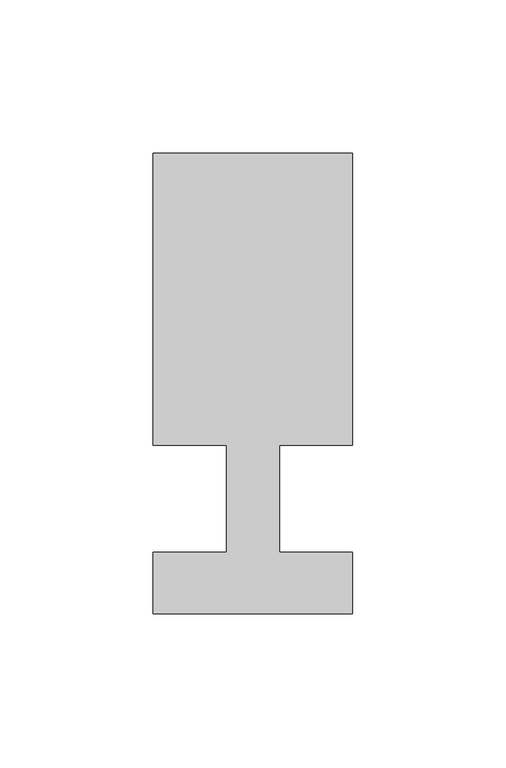
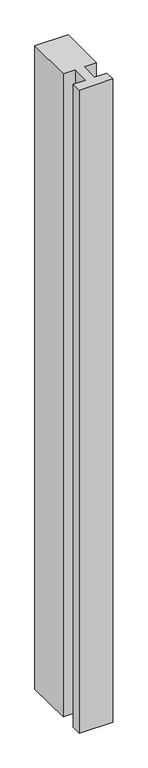
"""IFC4 building model written with IfcOpenShell, lengths in millimetres: member geometry."""

import ifcopenshell
import ifcopenshell.guid

model = None  # the IFC model being written
_history = None  # IfcOwnerHistory: only IFC2X3 demands one
_inside = {}  # id of a spatial element -> (the spatial element, [elements in it])
_under = {}  # id of a project, library or spatial element -> (it, [spatial elements below it])
_declared = {}  # id of a project -> (the project, [libraries it declares])
_typed = {}  # id of a type object -> (the type object, [elements of that type])
_made_of = {}  # id of a material, layer set ... -> (it, [elements and type objects made of it])


def new_model(schema):
    """Start an empty IFC model of exactly this schema.

    Asked for "IFC4X3", IfcOpenShell would pick the latest addendum, in which some entities
    have other attributes; the version numbers below select the first issue.
    IFC2X3 requires an IfcOwnerHistory on every rooted entity: one is made here for all.
    """
    global model, _history
    if schema == "IFC4X3":
        model = ifcopenshell.file(schema_version=(4, 3, 0, 0))
    else:
        model = ifcopenshell.file(schema=schema)
    _inside.clear()
    _under.clear()
    _declared.clear()
    _typed.clear()
    _made_of.clear()
    _history = None
    if model.schema == "IFC2X3":
        org = make("IfcOrganization", Name="unknown")
        user = make(
            "IfcPersonAndOrganization",
            ThePerson=make("IfcPerson", FamilyName="unknown"),
            TheOrganization=org,
        )
        app = make(
            "IfcApplication",
            ApplicationDeveloper=org,
            Version="unknown",
            ApplicationFullName="unknown",
            ApplicationIdentifier="unknown",
        )
        _history = make(
            "IfcOwnerHistory",
            OwningUser=user,
            OwningApplication=app,
            ChangeAction="ADDED",
            CreationDate=0,
        )
    return model


def make(cls, **values):
    """One entity of the class cls with the attributes given. An attribute that is None is left unset."""
    return model.create_entity(
        cls, **{name: value for name, value in values.items() if value is not None}
    )


def rooted(cls, **values):
    """An entity with a GlobalId (a new one), such as an element, a storey or a relation."""
    return make(cls, GlobalId=ifcopenshell.guid.new(), OwnerHistory=_history, **values)


def si_unit(unit_type, name, prefix=None):
    """IfcSIUnit, for example si_unit("LENGTHUNIT", "METRE", prefix="MILLI")."""
    return make("IfcSIUnit", UnitType=unit_type, Prefix=prefix, Name=name)


def assignment(units):
    """IfcUnitAssignment: the units of a project."""
    return None if units is None else make("IfcUnitAssignment", Units=units)


def point(xyz):
    """IfcCartesianPoint."""
    return None if xyz is None else make("IfcCartesianPoint", Coordinates=xyz)


def direction(xyz):
    """IfcDirection."""
    return None if xyz is None else make("IfcDirection", DirectionRatios=xyz)


def frame(location, z_axis=None, x_axis=None):
    """IfcAxis2Placement3D, a coordinate frame: its origin and axes. An axis left out is left unset."""
    return make(
        "IfcAxis2Placement3D",
        Location=point(location),
        Axis=direction(z_axis),
        RefDirection=direction(x_axis),
    )


def origin():
    """The frame at (0, 0, 0) with its axes left unset."""
    return frame((0.0, 0.0, 0.0))


def place(relative_to, where):
    """IfcLocalPlacement: puts the frame where relative to a parent placement (None: the world)."""
    return make(
        "IfcLocalPlacement", PlacementRelTo=relative_to, RelativePlacement=where
    )


def context(
    kind, dimensions, precision=None, world=None, true_north=None, identifier=None
):
    """IfcGeometricRepresentationContext, for example the 3D "Model" context."""
    return make(
        "IfcGeometricRepresentationContext",
        ContextIdentifier=identifier,
        ContextType=kind,
        CoordinateSpaceDimension=dimensions,
        Precision=precision,
        WorldCoordinateSystem=world,
        TrueNorth=true_north,
    )


def project(units=None, contexts=None):
    """IfcProject with its units and contexts."""
    return rooted(
        "IfcProject",
        Name="project",
        RepresentationContexts=contexts,
        UnitsInContext=assignment(units),
    )


def spatial(cls, under=None, at=None, **own):
    """A site, building, storey or space (cls), placed at a placement, below another one or the project."""
    s = rooted(cls, ObjectPlacement=at, **own)
    if under is not None:
        _under.setdefault(under.id(), (under, []))[1].append(s)
    return s


def polyline(points):
    """IfcPolyline through the points."""
    return make("IfcPolyline", Points=[point(p) for p in points])


def outline(outer, holes=None, kind="AREA"):
    """IfcArbitraryClosedProfileDef: a profile drawn as a closed curve; with holes, ...WithVoids."""
    if holes is None:
        return make("IfcArbitraryClosedProfileDef", ProfileType=kind, OuterCurve=outer)
    return make(
        "IfcArbitraryProfileDefWithVoids",
        ProfileType=kind,
        OuterCurve=outer,
        InnerCurves=holes,
    )


def extrude(swept, where, along, depth):
    """IfcExtrudedAreaSolid: the profile swept, set in the frame where, extruded along a direction by depth."""
    return make(
        "IfcExtrudedAreaSolid",
        SweptArea=swept,
        Position=where,
        ExtrudedDirection=direction(along),
        Depth=depth,
    )


def shape(context_of_items, identifier, shape_type, items):
    """IfcShapeRepresentation: the items that make up one representation, for example the "Body"."""
    return make(
        "IfcShapeRepresentation",
        ContextOfItems=context_of_items,
        RepresentationIdentifier=identifier,
        RepresentationType=shape_type,
        Items=items,
    )


def source(mapping_origin, context_of_items, identifier, shape_type, items):
    """IfcRepresentationMap: a shape defined once, which mapped items show again and again."""
    return make(
        "IfcRepresentationMap",
        MappingOrigin=mapping_origin,
        MappedRepresentation=shape(context_of_items, identifier, shape_type, items),
    )


def transform(
    local_origin,
    x_axis=None,
    y_axis=None,
    z_axis=None,
    scale=None,
    scale2=None,
    scale3=None,
    uniform=True,
):
    """IfcCartesianTransformationOperator3D, or its non-uniform kind. x_axis, y_axis, z_axis: its Axis1, 2, 3."""
    if uniform:
        return make(
            "IfcCartesianTransformationOperator3D",
            Axis1=direction(x_axis),
            Axis2=direction(y_axis),
            LocalOrigin=point(local_origin),
            Scale=scale,
            Axis3=direction(z_axis),
        )
    return make(
        "IfcCartesianTransformationOperator3DnonUniform",
        Axis1=direction(x_axis),
        Axis2=direction(y_axis),
        LocalOrigin=point(local_origin),
        Scale=scale,
        Axis3=direction(z_axis),
        Scale2=scale2,
        Scale3=scale3,
    )


def mapped(mapping_source, mapping_target):
    """IfcMappedItem: shows the shape of a source again, moved by a transform."""
    return make(
        "IfcMappedItem", MappingSource=mapping_source, MappingTarget=mapping_target
    )


def made_of(thing, what):
    """Note that an element or type object is made of a material, layer set ...; save() writes the relation."""
    if what is not None:
        _made_of.setdefault(what.id(), (what, []))[1].append(thing)
    return thing


def element(
    cls,
    number,
    at=None,
    inside=None,
    cuts=None,
    type_object=None,
    material=None,
    context=None,
    identifier="Body",
    shape_type=None,
    held_by="IfcProductDefinitionShape",
    body=None,
    shapes=None,
    **own,
):
    """One element of the class cls, such as IfcWall. Its Tag is "e" and its number.

    at: its placement. inside: the storey or other place that contains it. cuts: it is an
    opening in that element (IfcRelVoidsElement). A single representation is given by context,
    identifier, shape_type and body (its items); several are given by shapes. held_by: the class
    of the entity that holds the representations. save() writes the other relations.
    """
    e = rooted(cls, Tag="e%d" % number, ObjectPlacement=at, **own)
    if body is not None:
        shapes = [shape(context, identifier, shape_type, body)]
    if shapes is not None:
        e.Representation = make(held_by, Representations=shapes)
    if inside is not None:
        _inside.setdefault(inside.id(), (inside, []))[1].append(e)
    if cuts is not None:
        rooted(
            "IfcRelVoidsElement", RelatingBuildingElement=cuts, RelatedOpeningElement=e
        )
    if type_object is not None:
        _typed.setdefault(type_object.id(), (type_object, []))[1].append(e)
    return made_of(e, material)


def aggregate(whole, parts):
    """IfcRelAggregates: a whole, such as a stair, and the parts it consists of."""
    return rooted("IfcRelAggregates", RelatingObject=whole, RelatedObjects=parts)


def save(model, path):
    """Write the relations noted so far, then the file.

    IfcRelAggregates (storeys below a building ...), IfcRelContainedInSpatialStructure (elements
    in a storey), IfcRelDefinesByType, IfcRelAssociatesMaterial and IfcRelDeclares: one each for
    every whole, place, type object, material and project.
    """
    for whole, parts in _under.values():
        aggregate(whole, parts)
    for where, things in _inside.values():
        rooted(
            "IfcRelContainedInSpatialStructure",
            RelatedElements=things,
            RelatingStructure=where,
        )
    for kind, things in _typed.values():
        rooted("IfcRelDefinesByType", RelatedObjects=things, RelatingType=kind)
    for what, things in _made_of.values():
        rooted("IfcRelAssociatesMaterial", RelatedObjects=things, RelatingMaterial=what)
    for by, libraries in _declared.values():
        rooted("IfcRelDeclares", RelatingContext=by, RelatedDefinitions=libraries)
    model.write(path)


def member_9cea8f0d(model_context):
    return source(origin(), model_context, "Body", "SweptSolid", [
        extrude(outline(polyline([(0.0, -37.0), (-65.0, -37.0), (-65.0, -17.0), (-41.1875, -17.0), (-41.1875, 18.0), (-65.0, 18.0), (-65.0, 113.0), (0.0, 113.0), (0.0, 18.0), (-23.8125, 18.0), (-23.8125, -17.0), (0.0, -17.0), (0.0, -37.0)])), frame((0.0, 0.0, -1326.7391304), z_axis=(0.0, 0.0, 1.0), x_axis=(1.0, 0.0, 0.0)), (0.0, 0.0, 1.0), 1326.7391304),
    ])


if __name__ == "__main__":
    model = new_model("IFC4")
    model_context = context("Model", 3, world=origin())
    ifc_project = project(units=[si_unit("LENGTHUNIT", "METRE", prefix="MILLI")], contexts=[model_context])
    site = spatial("IfcSite", under=ifc_project)
    building = spatial("IfcBuilding", under=site)
    placement = place(None, origin())
    member_shape = member_9cea8f0d(model_context)
    element("IfcMember", 1, at=placement, inside=building, context=model_context, shape_type="MappedRepresentation", body=[
        mapped(member_shape, transform((0.0, 0.0, 0.0), x_axis=(1.0, 0.0, 0.0), y_axis=(0.0, 1.0, 0.0), z_axis=(0.0, 0.0, 1.0))),
    ])
    save(model, "model.ifc")
